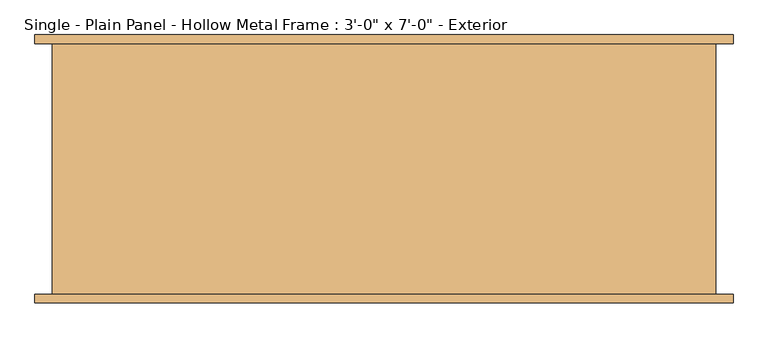
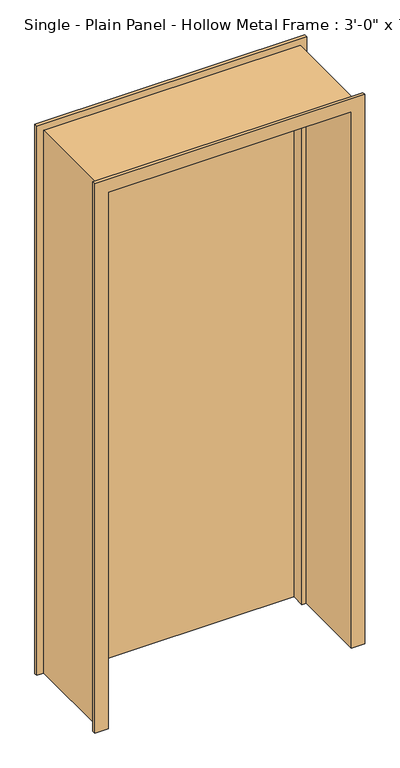
"""IFC4 building model written with IfcOpenShell, lengths in millimetres: door geometry."""

from ifc_helpers import new_model, si_unit, origin, origin_with_axes, place, context, project, spatial, polyline, outline, extrude, faceted_brep, source, transform, mapped, element, save


def door_9a28f4c3(model_context):
    return source(origin(), model_context, "Body", "SolidModel", [
        extrude(outline(polyline([(457.2, 150.8125), (-457.2, 150.8125), (-457.2, 195.2625), (457.2, 195.2625), (457.2, 150.8125)])), origin_with_axes(), (0.0, 0.0, 1.0), 2133.6),
        faceted_brep([(508.0, -182.5625, 0.0), (508.0, -195.2625, 0.0), (457.2, -195.2625, 0.0), (457.2, 100.0125, 0.0), (441.325, 100.0125, 0.0), (441.325, 150.8125, 0.0), (457.2, 150.8125, 0.0), (457.2, 195.2625, 0.0), (508.0, 195.2625, 0.0), (508.0, 182.5625, 0.0), (482.6, 182.5625, 0.0), (482.6, -182.5625, 0.0), (508.0, -182.5625, 2184.4), (508.0, -195.2625, 2184.4), (-508.0, -195.2625, 2184.4), (-508.0, -195.2625, 0.0), (-457.2, -195.2625, 0.0), (-457.2, -195.2625, 2133.6), (457.2, -195.2625, 2133.6), (457.2, 100.0125, 2133.6), (-457.2, 100.0125, 2133.6), (-457.2, 100.0125, 0.0), (-441.325, 100.0125, 0.0), (-441.325, 100.0125, 2117.725), (441.325, 100.0125, 2117.725), (441.325, 150.8125, 2117.725), (-441.325, 150.8125, 2117.725), (-441.325, 150.8125, 0.0), (-457.2, 150.8125, 0.0), (-457.2, 150.8125, 2133.6), (457.2, 150.8125, 2133.6), (457.2, 195.2625, 2133.6), (-457.2, 195.2625, 2133.6), (-457.2, 195.2625, 0.0), (-508.0, 195.2625, 0.0), (-508.0, 195.2625, 2184.4), (508.0, 195.2625, 2184.4), (508.0, 182.5625, 2184.4), (-508.0, 182.5625, 2184.4), (-508.0, 182.5625, 0.0), (-482.6, 182.5625, 0.0), (-482.6, 182.5625, 2159.0), (482.6, 182.5625, 2159.0), (482.6, -182.5625, 2159.0), (-482.6, -182.5625, 2159.0), (-482.6, -182.5625, 0.0), (-508.0, -182.5625, 0.0), (-508.0, -182.5625, 2184.4)], [[[0, 1, 2, 3, 4, 5, 6, 7, 8, 9, 10, 11]], [[1, 0, 12, 13]], [[2, 1, 13, 14, 15, 16, 17, 18]], [[3, 2, 18, 19]], [[4, 3, 19, 20, 21, 22, 23, 24]], [[5, 4, 24, 25]], [[6, 5, 25, 26, 27, 28, 29, 30]], [[7, 6, 30, 31]], [[8, 7, 31, 32, 33, 34, 35, 36]], [[9, 8, 36, 37]], [[10, 9, 37, 38, 39, 40, 41, 42]], [[11, 10, 42, 43]], [[0, 11, 43, 44, 45, 46, 47, 12]], [[14, 47, 46, 15]], [[46, 45, 40, 39, 34, 33, 28, 27, 22, 21, 16, 15]], [[20, 17, 16, 21]], [[26, 23, 22, 27]], [[32, 29, 28, 33]], [[38, 35, 34, 39]], [[44, 41, 40, 45]], [[13, 12, 47, 14]], [[19, 18, 17, 20]], [[25, 24, 23, 26]], [[31, 30, 29, 32]], [[37, 36, 35, 38]], [[43, 42, 41, 44]]]),
    ])


if __name__ == "__main__":
    model = new_model("IFC4")
    model_context = context("Model", 3, world=origin())
    ifc_project = project(units=[si_unit("LENGTHUNIT", "METRE", prefix="MILLI")], contexts=[model_context])
    site = spatial("IfcSite", under=ifc_project)
    building = spatial("IfcBuilding", under=site)
    placement = place(None, origin())
    door_shape = door_9a28f4c3(model_context)
    element("IfcDoor", 1, ObjectType="Single - Plain Panel - Hollow Metal Frame : 3'-0\" x 7'-0\" - Exterior", at=placement, inside=building, context=model_context, shape_type="MappedRepresentation", body=[
        mapped(door_shape, transform((0.0, 0.0, 0.0), x_axis=(1.0, 0.0, 0.0), y_axis=(0.0, 1.0, 0.0), z_axis=(0.0, 0.0, 1.0))),
    ])
    save(model, "model.ifc")
